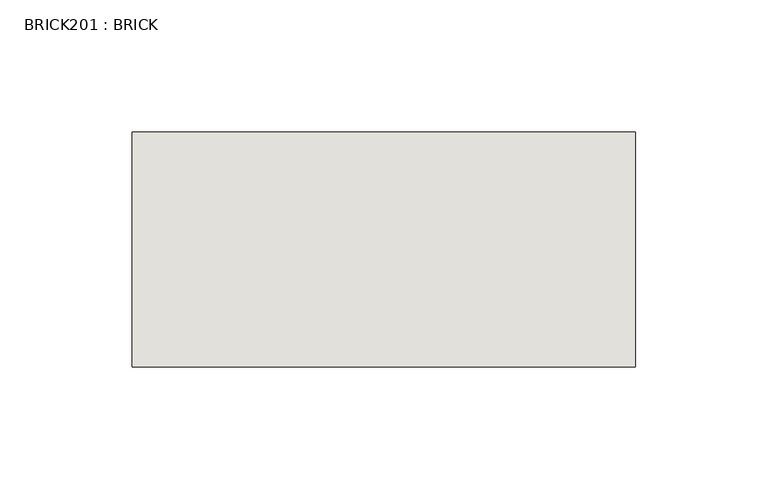
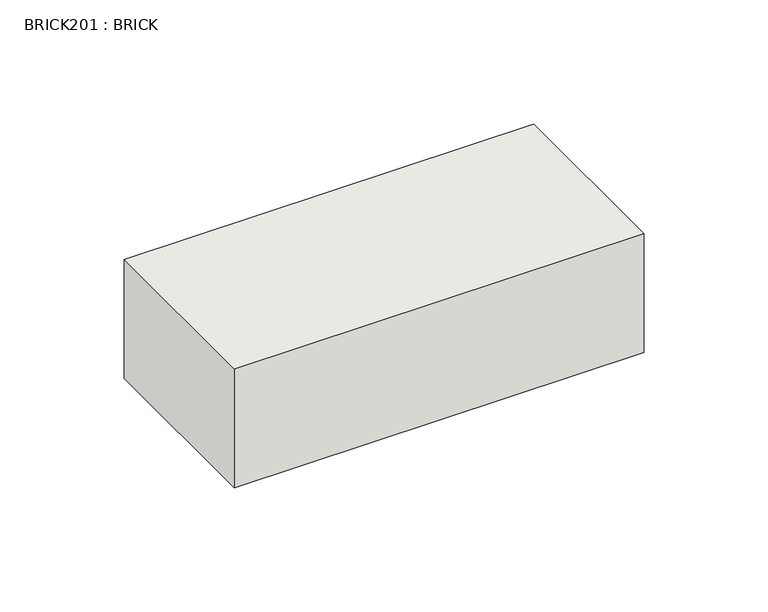
"""IFC4 building model written with IfcOpenShell, lengths in millimetres: wall geometry, BRICK201 : BRICK."""

from ifc_helpers import new_model, si_unit, frame, origin, place, context, project, spatial, polyline, outline, extrude, source, transform, mapped, element, save


def brick201_brick_2097790f(model_context):
    return source(origin(), model_context, "Body", "SweptSolid", [
        extrude(outline(polyline([(-768.7316239, 3062.3923312), (-578.2316239, 3062.3923312), (-578.2316239, 2973.4923312), (-768.7316239, 2973.4923312), (-768.7316239, 3062.3923312)])), frame((0.0, 0.0, 493.4148438), z_axis=(0.0, 0.0, 1.0), x_axis=(1.0, 0.0, 0.0)), (0.0, 0.0, 1.0), 58.4398438),
    ])


if __name__ == "__main__":
    model = new_model("IFC4")
    model_context = context("Model", 3, world=origin())
    ifc_project = project(units=[si_unit("LENGTHUNIT", "METRE", prefix="MILLI")], contexts=[model_context])
    site = spatial("IfcSite", under=ifc_project)
    building = spatial("IfcBuilding", under=site)
    placement = place(None, origin())
    brick201_brick_shape = brick201_brick_2097790f(model_context)
    element("IfcWall", 1, ObjectType="BRICK201 : BRICK", at=placement, inside=building, context=model_context, shape_type="MappedRepresentation", body=[
        mapped(brick201_brick_shape, transform((0.0, 0.0, 0.0), x_axis=(1.0, 0.0, 0.0), y_axis=(0.0, 1.0, 0.0), z_axis=(0.0, 0.0, 1.0))),
    ])
    save(model, "model.ifc")
